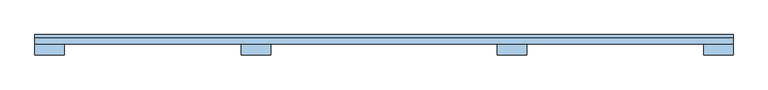
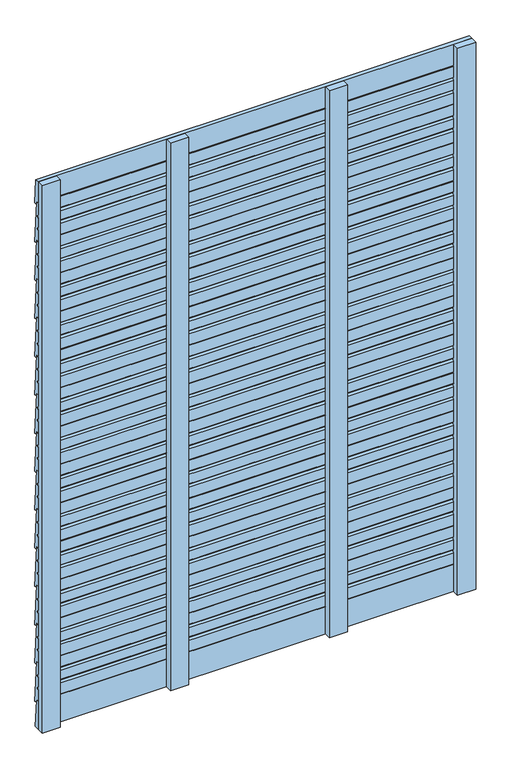
"""IFC4 building model written with IfcOpenShell, lengths in millimetres: window geometry."""

from ifc_helpers import new_model, si_unit, frame, origin, place, context, project, spatial, polyline, outline, extrude, source, transform, mapped, element, save


def window_ff913409(model_context):
    return source(origin(), model_context, "Body", "SweptSolid", [
        extrude(outline(polyline([(144.0078741, 190.0031481), (135.0853004, 190.9402731), (134.3857007, 202.0), (124.0078741, 202.0), (124.0078741, 242.0), (129.2056664, 248.0), (124.0078741, 254.0), (124.0078741, 288.0), (129.2056664, 294.0), (124.0078741, 300.0), (124.0078741, 340.0), (134.0171434, 340.0), (144.0078741, 190.0031481)])), frame((-750.0, 0.0, 0.0), z_axis=(1.0, 0.0, 0.0), x_axis=(0.0, 1.0, 0.0)), (0.0, 0.0, 1.0), 1500.0),
        extrude(outline(polyline([(144.0078741, 330.0031481), (135.0853004, 330.9402731), (134.3857007, 342.0), (124.0078741, 342.0), (124.0078741, 382.0), (129.2056664, 388.0), (124.0078741, 394.0), (124.0078741, 428.0), (129.2056664, 434.0), (124.0078741, 440.0), (124.0078741, 480.0), (134.0171434, 480.0), (144.0078741, 330.0031481)])), frame((-750.0, 0.0, 0.0), z_axis=(1.0, 0.0, 0.0), x_axis=(0.0, 1.0, 0.0)), (0.0, 0.0, 1.0), 1500.0),
        extrude(outline(polyline([(144.0078741, 470.0031481), (135.0853004, 470.9402731), (134.3857007, 482.0), (124.0078741, 482.0), (124.0078741, 522.0), (129.2056664, 528.0), (124.0078741, 534.0), (124.0078741, 568.0), (129.2056664, 574.0), (124.0078741, 580.0), (124.0078741, 620.0), (134.0171434, 620.0), (144.0078741, 470.0031481)])), frame((-750.0, 0.0, 0.0), z_axis=(1.0, 0.0, 0.0), x_axis=(0.0, 1.0, 0.0)), (0.0, 0.0, 1.0), 1500.0),
        extrude(outline(polyline([(144.0078741, 610.0031481), (135.0853004, 610.9402731), (134.3857007, 622.0), (124.0078741, 622.0), (124.0078741, 662.0), (129.2056664, 668.0), (124.0078741, 674.0), (124.0078741, 708.0), (129.2056664, 714.0), (124.0078741, 720.0), (124.0078741, 760.0), (134.0171434, 760.0), (144.0078741, 610.0031481)])), frame((-750.0, 0.0, 0.0), z_axis=(1.0, 0.0, 0.0), x_axis=(0.0, 1.0, 0.0)), (0.0, 0.0, 1.0), 1500.0),
        extrude(outline(polyline([(144.0078741, 750.0031481), (135.0853004, 750.9402731), (134.3857007, 762.0), (124.0078741, 762.0), (124.0078741, 802.0), (129.2056664, 808.0), (124.0078741, 814.0), (124.0078741, 848.0), (129.2056664, 854.0), (124.0078741, 860.0), (124.0078741, 900.0), (134.0171434, 900.0), (144.0078741, 750.0031481)])), frame((-750.0, 0.0, 0.0), z_axis=(1.0, 0.0, 0.0), x_axis=(0.0, 1.0, 0.0)), (0.0, 0.0, 1.0), 1500.0),
        extrude(outline(polyline([(144.0078741, 890.0031481), (135.0853004, 890.9402731), (134.3857007, 902.0), (124.0078741, 902.0), (124.0078741, 942.0), (129.2056664, 948.0), (124.0078741, 954.0), (124.0078741, 988.0), (129.2056664, 994.0), (124.0078741, 1000.0), (124.0078741, 1040.0), (134.0171434, 1040.0), (144.0078741, 890.0031481)])), frame((-750.0, 0.0, 0.0), z_axis=(1.0, 0.0, 0.0), x_axis=(0.0, 1.0, 0.0)), (0.0, 0.0, 1.0), 1500.0),
        extrude(outline(polyline([(144.0078741, 1030.0031481), (135.0853004, 1030.9402731), (134.3857007, 1042.0), (124.0078741, 1042.0), (124.0078741, 1082.0), (129.2056664, 1088.0), (124.0078741, 1094.0), (124.0078741, 1128.0), (129.2056664, 1134.0), (124.0078741, 1140.0), (124.0078741, 1180.0), (134.0171434, 1180.0), (144.0078741, 1030.0031481)])), frame((-750.0, 0.0, 0.0), z_axis=(1.0, 0.0, 0.0), x_axis=(0.0, 1.0, 0.0)), (0.0, 0.0, 1.0), 1500.0),
        extrude(outline(polyline([(144.0078741, 1170.0031481), (135.0853004, 1170.9402731), (134.3857007, 1182.0), (124.0078741, 1182.0), (124.0078741, 1222.0), (129.2056664, 1228.0), (124.0078741, 1234.0), (124.0078741, 1268.0), (129.2056664, 1274.0), (124.0078741, 1280.0), (124.0078741, 1320.0), (134.0171434, 1320.0), (144.0078741, 1170.0031481)])), frame((-750.0, 0.0, 0.0), z_axis=(1.0, 0.0, 0.0), x_axis=(0.0, 1.0, 0.0)), (0.0, 0.0, 1.0), 1500.0),
        extrude(outline(polyline([(144.0078741, 1310.0031481), (135.0853004, 1310.9402731), (134.3857007, 1322.0), (124.0078741, 1322.0), (124.0078741, 1362.0), (129.2056664, 1368.0), (124.0078741, 1374.0), (124.0078741, 1408.0), (129.2056664, 1414.0), (124.0078741, 1420.0), (124.0078741, 1460.0), (134.0171434, 1460.0), (144.0078741, 1310.0031481)])), frame((-750.0, 0.0, 0.0), z_axis=(1.0, 0.0, 0.0), x_axis=(0.0, 1.0, 0.0)), (0.0, 0.0, 1.0), 1500.0),
        extrude(outline(polyline([(144.0078741, 1450.0031481), (135.0853004, 1450.9402731), (134.3857007, 1462.0), (124.0078741, 1462.0), (124.0078741, 1502.0), (129.2056664, 1508.0), (124.0078741, 1514.0), (124.0078741, 1548.0), (129.2056664, 1554.0), (124.0078741, 1560.0), (124.0078741, 1600.0), (134.0171434, 1600.0), (144.0078741, 1450.0031481)])), frame((-750.0, 0.0, 0.0), z_axis=(1.0, 0.0, 0.0), x_axis=(0.0, 1.0, 0.0)), (0.0, 0.0, 1.0), 1500.0),
        extrude(outline(polyline([(144.0078741, 1590.0031481), (135.0853004, 1590.9402731), (134.3857007, 1602.0), (124.0078741, 1602.0), (124.0078741, 1642.0), (129.2056664, 1648.0), (124.0078741, 1654.0), (124.0078741, 1688.0), (129.2056664, 1694.0), (124.0078741, 1700.0), (124.0078741, 1740.0), (134.0171434, 1740.0), (144.0078741, 1590.0031481)])), frame((-750.0, 0.0, 0.0), z_axis=(1.0, 0.0, 0.0), x_axis=(0.0, 1.0, 0.0)), (0.0, 0.0, 1.0), 1500.0),
        extrude(outline(polyline([(144.0078741, 1730.0031481), (135.0853004, 1730.9402731), (134.3857007, 1742.0), (124.0078741, 1742.0), (124.0078741, 1782.0), (129.2056664, 1788.0), (124.0078741, 1794.0), (124.0078741, 1828.0), (129.2056664, 1834.0), (124.0078741, 1840.0), (124.0078741, 1880.0), (134.0171434, 1880.0), (144.0078741, 1730.0031481)])), frame((-750.0, 0.0, 0.0), z_axis=(1.0, 0.0, 0.0), x_axis=(0.0, 1.0, 0.0)), (0.0, 0.0, 1.0), 1500.0),
        extrude(outline(polyline([(144.0078741, 1870.0031481), (135.0853004, 1870.9402731), (134.3857007, 1882.0), (124.0078741, 1882.0), (124.0078741, 1922.0), (129.2056664, 1928.0), (124.0078741, 1934.0), (124.0078741, 1968.0), (129.2056664, 1974.0), (124.0078741, 1980.0), (124.0078741, 2020.0), (134.0171434, 2020.0), (144.0078741, 1870.0031481)])), frame((-750.0, 0.0, 0.0), z_axis=(1.0, 0.0, 0.0), x_axis=(0.0, 1.0, 0.0)), (0.0, 0.0, 1.0), 1500.0),
        extrude(outline(polyline([(134.0171434, 200.0), (140.6777703, 100.0), (124.0078741, 100.0), (124.0078741, 200.0), (134.0171434, 200.0)])), frame((-750.0, 0.0, 0.0), z_axis=(1.0, 0.0, 0.0), x_axis=(0.0, 1.0, 0.0)), (0.0, 0.0, 1.0), 1500.0),
        extrude(outline(polyline([(144.0039038, 2011.0031481), (135.0813302, 2011.9402731), (134.3817304, 2023.0), (124.0039038, 2023.0), (124.0039038, 2100.0), (138.0706559, 2100.0), (144.0039038, 2011.0031481)])), frame((-750.0, 0.0, 0.0), z_axis=(1.0, 0.0, 0.0), x_axis=(0.0, 1.0, 0.0)), (0.0, 0.0, 1.0), 1500.0),
        extrude(outline(polyline([(-306.5, 124.0), (-243.5, 124.0), (-243.5, 100.0), (-306.5, 100.0), (-306.5, 124.0)])), frame((0.0, 0.0, 100.0), z_axis=(0.0, 0.0, 1.0), x_axis=(1.0, 0.0, 0.0)), (0.0, 0.0, 1.0), 2000.0),
        extrude(outline(polyline([(243.5, 124.0), (306.5, 124.0), (306.5, 100.0), (243.5, 100.0), (243.5, 124.0)])), frame((0.0, 0.0, 100.0), z_axis=(0.0, 0.0, 1.0), x_axis=(1.0, 0.0, 0.0)), (0.0, 0.0, 1.0), 2000.0),
        extrude(outline(polyline([(-750.0, 124.0), (-687.0, 124.0), (-687.0, 100.0), (-750.0, 100.0), (-750.0, 124.0)])), frame((0.0, 0.0, 100.0), z_axis=(0.0, 0.0, 1.0), x_axis=(1.0, 0.0, 0.0)), (0.0, 0.0, 1.0), 2000.0),
        extrude(outline(polyline([(687.0, 124.0), (750.0, 124.0), (750.0, 100.0), (687.0, 100.0), (687.0, 124.0)])), frame((0.0, 0.0, 100.0), z_axis=(0.0, 0.0, 1.0), x_axis=(1.0, 0.0, 0.0)), (0.0, 0.0, 1.0), 2000.0),
    ])


if __name__ == "__main__":
    model = new_model("IFC4")
    model_context = context("Model", 3, world=origin())
    ifc_project = project(units=[si_unit("LENGTHUNIT", "METRE", prefix="MILLI")], contexts=[model_context])
    site = spatial("IfcSite", under=ifc_project)
    building = spatial("IfcBuilding", under=site)
    placement = place(None, origin())
    window_shape = window_ff913409(model_context)
    element("IfcWindow", 1, at=placement, inside=building, context=model_context, shape_type="MappedRepresentation", body=[
        mapped(window_shape, transform((0.0, 0.0, 0.0), x_axis=(1.0, 0.0, 0.0), y_axis=(0.0, 1.0, 0.0), z_axis=(0.0, 0.0, 1.0))),
    ])
    save(model, "model.ifc")
